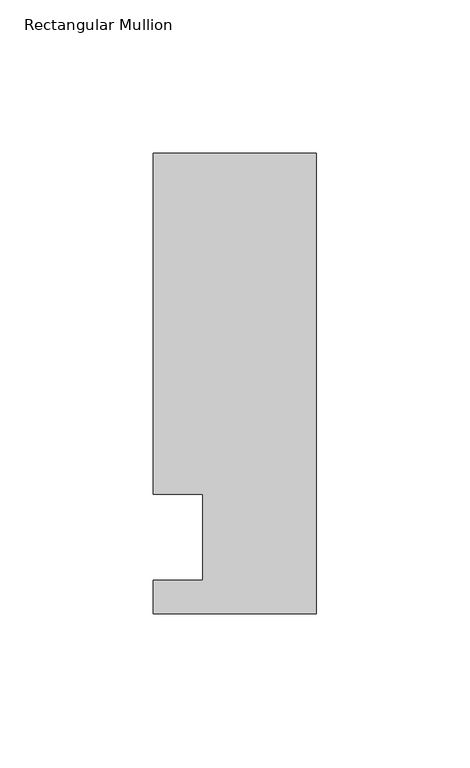
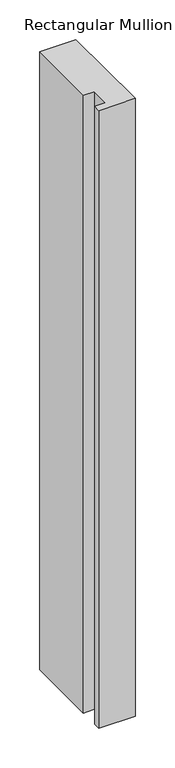
"""IFC4 building model written with IfcOpenShell, lengths in millimetres: member geometry, Rectangular Mullion."""

from ifc_helpers import new_model, si_unit, frame, origin, place, context, project, spatial, polyline, outline, extrude, source, transform, mapped, element, save


def rectangular_mullion_b175356d(model_context):
    return source(origin(), model_context, "Body", "SweptSolid", [
        extrude(outline(polyline([(0.0, -25.0), (-53.0, -25.0), (-53.0, -14.0), (-37.0, -14.0), (-37.0, 14.0), (-53.0, 14.0), (-53.0, 125.0), (0.0, 125.0), (0.0, -25.0)])), frame((0.0, 0.0, -953.6623342), z_axis=(0.0, 0.0, 1.0), x_axis=(1.0, 0.0, 0.0)), (0.0, 0.0, 1.0), 953.6623342),
    ])


if __name__ == "__main__":
    model = new_model("IFC4")
    model_context = context("Model", 3, world=origin())
    ifc_project = project(units=[si_unit("LENGTHUNIT", "METRE", prefix="MILLI")], contexts=[model_context])
    site = spatial("IfcSite", under=ifc_project)
    building = spatial("IfcBuilding", under=site)
    placement = place(None, origin())
    rectangular_mullion_shape = rectangular_mullion_b175356d(model_context)
    element("IfcMember", 1, ObjectType="Rectangular Mullion", at=placement, inside=building, context=model_context, shape_type="MappedRepresentation", body=[
        mapped(rectangular_mullion_shape, transform((0.0, 0.0, 0.0), x_axis=(1.0, 0.0, 0.0), y_axis=(0.0, 1.0, 0.0), z_axis=(0.0, 0.0, 1.0))),
    ])
    save(model, "model.ifc")
